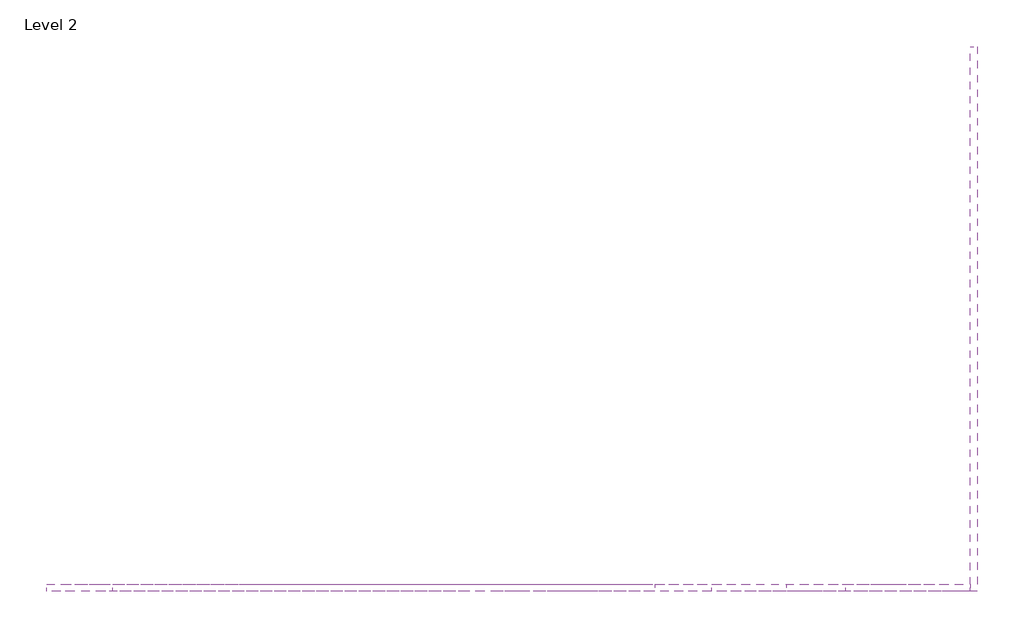
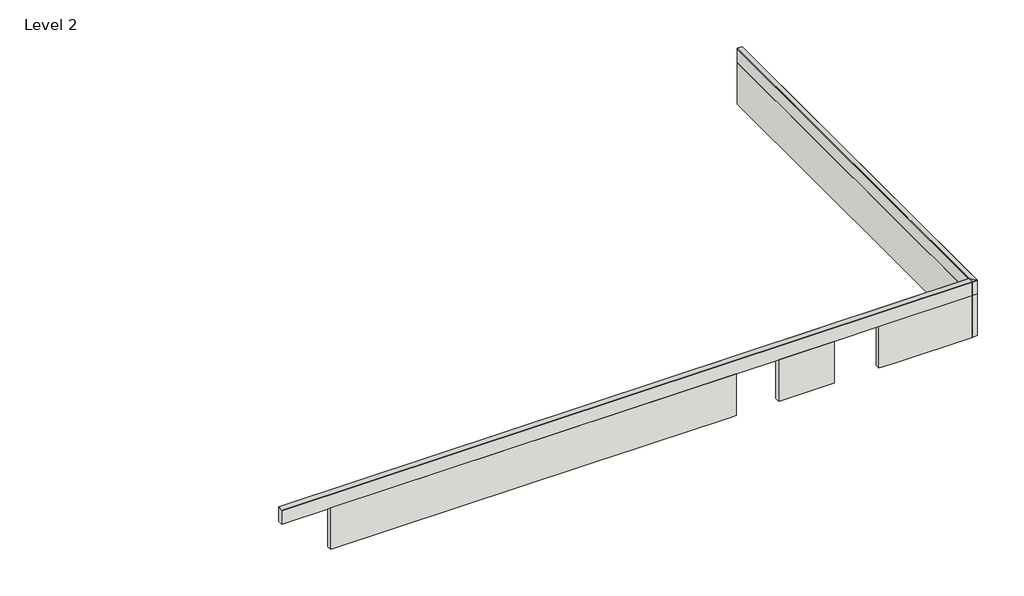
# One storey: 6 walls, 1 proxy.
"""IFC4 building model written with IfcOpenShell, lengths in millimetres."""

from ifc_helpers import new_model, si_unit, origin, place, context, project, spatial, faceted_brep, element, save

model = new_model("IFC4")

# Units and contexts
model_context = context("Model", 3, world=origin())
ifc_project = project(units=[si_unit("LENGTHUNIT", "METRE", prefix="MILLI")], contexts=[model_context])

# Site, building, storey
site = spatial("IfcSite", under=ifc_project)
building = spatial("IfcBuilding", under=site)
storey = spatial("IfcBuildingStorey", under=building, Name="Level 2", Elevation=4000.0)

# Proxy
placement = place(None, origin())
element("IfcBuildingElementProxy", 1, Name="Wall Sweeps", at=placement, inside=storey, context=model_context, shape_type="Brep", body=[
    faceted_brep([(43352.8646533, 32667.9215559, 9680.0), (43352.8646533, 32667.9215559, 9630.0), (43342.8646533, 32667.9215559, 9660.0), (43342.8646533, 32667.9215559, 9670.0), (43002.8646533, 32667.9215559, 9670.0), (43002.8646533, 32667.9215559, 9660.0), (42992.8646533, 32667.9215559, 9630.0), (42992.8646533, 32667.9215559, 9680.0), (43352.8646533, 5347.9134915, 9680.0), (42992.8646533, 5707.9134915, 9680.0), (42992.8646533, 5707.9134915, 9630.0), (43002.8646533, 5697.9134915, 9660.0), (43002.8646533, 5697.9134915, 9670.0), (43342.8646533, 5357.9134915, 9670.0), (43342.8646533, 5357.9134915, 9660.0), (43352.8646533, 5347.9134915, 9630.0)], [[[0, 1, 2, 3, 4, 5, 6, 7]], [[8, 9, 10, 11, 12, 13, 14, 15]], [[1, 0, 8, 15]], [[2, 1, 15, 14]], [[3, 2, 14, 13]], [[4, 3, 13, 12]], [[5, 4, 12, 11]], [[6, 5, 11, 10]], [[7, 6, 10, 9]], [[0, 7, 9, 8]]]),
    faceted_brep([(43352.8646533, 5347.9134915, 9680.0), (43352.8646533, 5347.9134915, 9630.0), (43342.8646533, 5357.9134915, 9660.0), (43342.8646533, 5357.9134915, 9670.0), (43002.8646533, 5697.9134915, 9670.0), (43002.8646533, 5697.9134915, 9660.0), (42992.8646533, 5707.9134915, 9630.0), (42992.8646533, 5707.9134915, 9680.0), (-3336.1612306, 5347.9134915, 9680.0), (-3336.1612306, 5707.9134915, 9680.0), (-3336.1612306, 5707.9134915, 9630.0), (-3336.1612306, 5697.9134915, 9660.0), (-3336.1612306, 5697.9134915, 9670.0), (-3336.1612306, 5357.9134915, 9670.0), (-3336.1612306, 5357.9134915, 9660.0), (-3336.1612306, 5347.9134915, 9630.0)], [[[0, 1, 2, 3, 4, 5, 6, 7]], [[8, 9, 10, 11, 12, 13, 14, 15]], [[1, 0, 8, 15]], [[2, 1, 15, 14]], [[3, 2, 14, 13]], [[4, 3, 13, 12]], [[5, 4, 12, 11]], [[6, 5, 11, 10]], [[7, 6, 10, 9]], [[0, 7, 9, 8]]]),
])

# Walls
element("IfcWall", 2, at=placement, inside=storey, context=model_context, shape_type="Brep", body=[
    faceted_brep([(43002.8646533, 32667.9215559, 5720.0), (43002.8646533, 5697.9134915, 5720.0), (43002.8646533, 5357.9134915, 5720.0), (43002.8646533, 5357.9134915, 8670.0), (43002.8646533, 5697.9134915, 8670.0), (43002.8646533, 32667.9215559, 8670.0), (43342.8646533, 32667.9215559, 5720.0), (43342.8646533, 32667.9215559, 8670.0), (43342.8646533, 5357.9134915, 8670.0), (43342.8646533, 5357.9134915, 5720.0)], [[[0, 1, 2, 3, 4, 5]], [[6, 7, 8, 9]], [[2, 1, 0, 6, 9]], [[5, 4, 3, 8, 7]], [[0, 5, 7, 6]], [[3, 2, 9, 8]]]),
])
element("IfcWall", 3, at=placement, inside=storey, context=model_context, shape_type="Brep", body=[
    faceted_brep([(43002.8646533, 5697.9134915, 5720.0), (36748.481769, 5697.9134915, 5720.0), (36748.481769, 5697.9134915, 8670.0), (43002.8646533, 5697.9134915, 8670.0), (43002.8646533, 5357.9134915, 5720.0), (43002.8646533, 5357.9134915, 8670.0), (36748.481769, 5357.9134915, 8670.0), (36748.481769, 5357.9134915, 5720.0), (37842.802561, 5357.9134915, 5720.0)], [[[0, 1, 2, 3]], [[4, 5, 6, 7, 8]], [[1, 0, 4, 8, 7]], [[2, 1, 7, 6]], [[3, 2, 6, 5]], [[0, 3, 5, 4]]]),
])
element("IfcWall", 4, at=placement, inside=storey, context=model_context, shape_type="Brep", body=[
    faceted_brep([(33762.4888823, 5697.9134915, 5720.0), (30022.8220227, 5697.9134915, 5720.0), (30022.453076, 5697.9134915, 5720.0), (30022.453076, 5697.9134915, 8670.0), (33762.4888823, 5697.9134915, 8670.0), (33762.4888823, 5357.9134915, 5720.0), (33762.4888823, 5357.9134915, 8670.0), (30022.453076, 5357.9134915, 8670.0), (30022.453076, 5357.9134915, 5720.0), (30022.8220227, 5357.9134915, 5720.0)], [[[0, 1, 2, 3, 4]], [[5, 6, 7, 8, 9]], [[2, 1, 0, 5, 9, 8]], [[3, 2, 8, 7]], [[4, 3, 7, 6]], [[0, 4, 6, 5]]]),
])
element("IfcWall", 5, at=placement, inside=storey, context=model_context, shape_type="Brep", body=[
    faceted_brep([(27162.798293, 5697.9134915, 5720.0), (26992.798293, 5697.9134915, 5720.0), (23242.7995521, 5697.9134915, 5720.0), (16902.7995375, 5697.9134915, 5720.0), (-26.2834917, 5697.9134915, 5720.0), (-26.2834917, 5697.9134915, 8670.0), (27162.798293, 5697.9134915, 8670.0), (27162.798293, 5357.9134915, 5720.0), (27162.798293, 5357.9134915, 8670.0), (-26.2834917, 5357.9134915, 8670.0), (-26.2834917, 5357.9134915, 5720.0), (16902.7995375, 5357.9134915, 5720.0), (17702.8025561, 5357.9134915, 5720.0), (20502.8025561, 5357.9134915, 5720.0), (20902.8025561, 5357.9134915, 5720.0), (22502.8025561, 5357.9134915, 5720.0), (23242.7995521, 5357.9134915, 5720.0), (26992.798293, 5357.9134915, 5720.0)], [[[0, 1, 2, 3, 4, 5, 6]], [[7, 8, 9, 10, 11, 12, 13, 14, 15, 16, 17]], [[4, 3, 2, 1, 0, 7, 17, 16, 15, 14, 13, 12, 11, 10]], [[6, 5, 9, 8]], [[0, 6, 8, 7]], [[5, 4, 10, 9]]]),
])
element("IfcWall", 6, at=placement, inside=storey, context=model_context, shape_type="Brep", body=[
    faceted_brep([(43002.8646533, 32667.9215559, 8670.0), (43002.8646533, 5697.9134915, 8670.0), (43002.8646533, 5357.9134915, 8670.0), (43002.8646533, 5357.9134915, 9660.0), (43002.8646533, 5357.9134915, 9670.0), (43002.8646533, 5697.9134915, 9670.0), (43002.8646533, 32667.9215559, 9670.0), (43002.8646533, 32667.9215559, 9660.0), (43342.8646533, 5357.9134915, 8670.0), (43342.8646533, 32667.9215559, 8670.0), (43342.8646533, 32667.9215559, 9660.0), (43342.8646533, 32667.9215559, 9670.0), (43342.8646533, 5357.9134915, 9670.0), (43342.8646533, 5357.9134915, 9660.0)], [[[0, 1, 2, 3, 4, 5, 6, 7]], [[8, 9, 10, 11, 12, 13]], [[2, 1, 0, 9, 8]], [[12, 11, 6, 5, 4]], [[6, 11, 10, 9, 0, 7]], [[2, 8, 13, 12, 4, 3]]]),
])
element("IfcWall", 7, at=placement, inside=storey, context=model_context, shape_type="Brep", body=[
    faceted_brep([(43002.8646533, 5697.9134915, 8670.0), (36748.481769, 5697.9134915, 8670.0), (33762.4888823, 5697.9134915, 8670.0), (30022.453076, 5697.9134915, 8670.0), (27162.798293, 5697.9134915, 8670.0), (-26.2834917, 5697.9134915, 8670.0), (-3336.1612306, 5697.9134915, 8670.0), (-3336.1612306, 5697.9134915, 9660.0), (-3336.1612306, 5697.9134915, 9670.0), (43002.8646533, 5697.9134915, 9670.0), (43002.8646533, 5697.9134915, 9660.0), (-3336.1612306, 5357.9134915, 8670.0), (-2806.2326353, 5357.9134915, 8670.0), (-366.2834917, 5357.9134915, 8670.0), (-26.2834917, 5357.9134915, 8670.0), (27162.798293, 5357.9134915, 8670.0), (30022.453076, 5357.9134915, 8670.0), (33762.4888823, 5357.9134915, 8670.0), (36748.481769, 5357.9134915, 8670.0), (43002.8646533, 5357.9134915, 8670.0), (43002.8646533, 5357.9134915, 9660.0), (43002.8646533, 5357.9134915, 9670.0), (-3336.1612306, 5357.9134915, 9670.0), (-3336.1612306, 5357.9134915, 9660.0)], [[[0, 1, 2, 3, 4, 5, 6, 7, 8, 9, 10]], [[11, 12, 13, 14, 15, 16, 17, 18, 19, 20, 21, 22, 23]], [[6, 5, 4, 3, 2, 1, 0, 19, 18, 17, 16, 15, 14, 13, 12, 11]], [[6, 11, 23, 22, 8, 7]], [[9, 8, 22, 21]], [[9, 21, 20, 19, 0, 10]]]),
])

save(model, "model.ifc")
